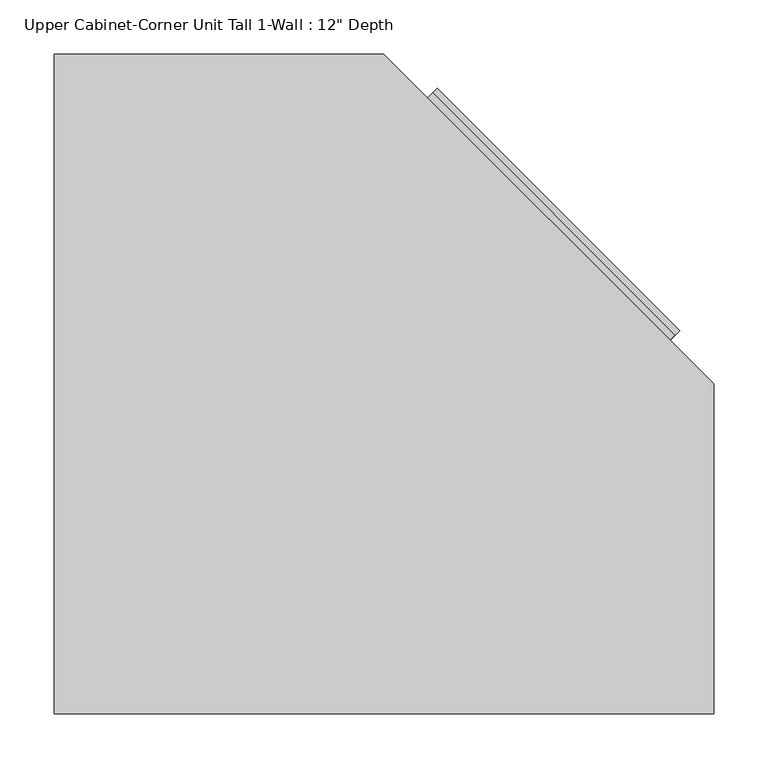
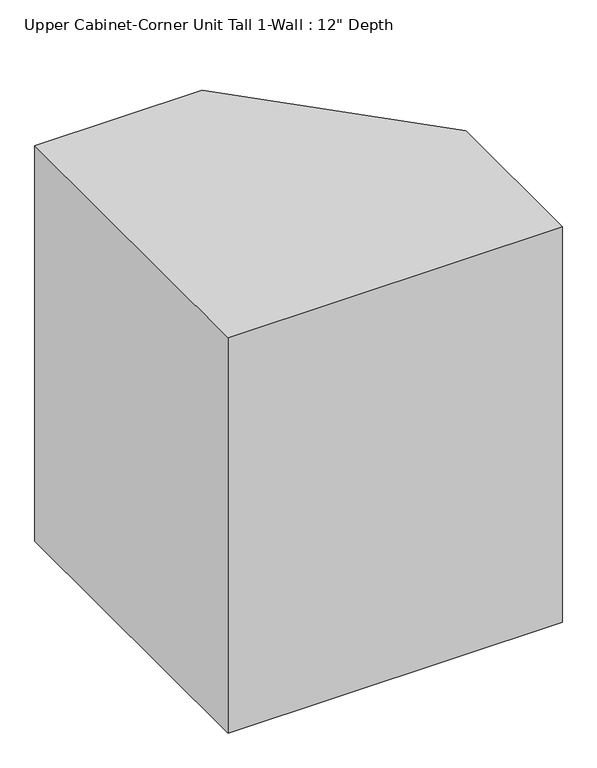
"""IFC4 building model written with IfcOpenShell, lengths in millimetres: furniture geometry."""

from ifc_helpers import new_model, si_unit, frame, origin, place, context, project, spatial, polyline, outline, extrude, faceted_brep, source, transform, mapped, element, save


def furniture_2c521ff6(model_context):
    return source(origin(), model_context, "Body", "SolidModel", [
        extrude(outline(polyline([(303.2724434, 643.5289755), (527.2501383, 419.5512806), (509.2896261, 401.5907684), (285.3119312, 625.5684633), (303.2724434, 643.5289755)])), frame((0.0, 0.0, 1403.35), z_axis=(0.0, 0.0, 1.0), x_axis=(1.0, 0.0, 0.0)), (0.0, 0.0, 1.0), 673.1),
        extrude(outline(polyline([(509.2896261, 401.5907684), (285.3119312, 625.5684633), (307.7625715, 648.0191036), (531.7402664, 424.0414087), (509.2896261, 401.5907684)])), frame((0.0, 0.0, 1380.33125), z_axis=(0.0, 0.0, 1.0), x_axis=(1.0, 0.0, 0.0)), (0.0, 0.0, 1.0), 8.73125),
        extrude(outline(polyline([(509.2896261, 401.5907684), (285.3119312, 625.5684633), (307.7625715, 648.0191036), (531.7402664, 424.0414087), (509.2896261, 401.5907684)])), frame((0.0, 0.0, 1389.0625), z_axis=(0.0, 0.0, 1.0), x_axis=(1.0, 0.0, 0.0)), (0.0, 0.0, 1.0), 8.73125),
        extrude(outline(polyline([(307.7625715, 648.0191036), (531.7402664, 424.0414087), (522.7600102, 415.0611525), (298.7823153, 639.0388475), (307.7625715, 648.0191036)])), frame((0.0, 0.0, 1371.6), z_axis=(0.0, 0.0, 1.0), x_axis=(1.0, 0.0, 0.0)), (0.0, 0.0, 1.0), 8.73125),
        faceted_brep([(-27.3788372, 660.4, 1371.6), (250.4803944, 660.4, 1371.6), (285.3119312, 625.5684633, 1371.6), (509.2896261, 401.5907684, 1371.6), (544.1211628, 366.7592316, 1371.6), (544.1211628, 88.9, 1371.6), (-27.3788372, 88.9, 1371.6), (-27.3788372, 660.4, 1397.79375), (-27.3788372, 88.9, 1397.79375), (544.1211628, 88.9, 1397.79375), (544.1211628, 366.7592316, 1397.79375), (509.2896261, 401.5907684, 1397.79375), (285.3119312, 625.5684633, 1397.79375), (250.4803944, 660.4, 1397.79375)], [[[0, 1, 2, 3, 4, 5, 6]], [[7, 8, 9, 10, 11, 12, 13]], [[1, 0, 7, 13]], [[1, 13, 12, 11, 10, 4, 3, 2]], [[5, 4, 10, 9]], [[6, 5, 9, 8]], [[0, 6, 8, 7]]]),
        faceted_brep([(-46.4288372, 679.45, 1371.6), (258.3711628, 679.45, 1371.6), (298.7823153, 639.0388475, 1371.6), (285.3119312, 625.5684633, 1371.6), (250.4803944, 660.4, 1371.6), (-27.3788372, 660.4, 1371.6), (-27.3788372, 88.9, 1371.6), (544.1211628, 88.9, 1371.6), (544.1211628, 366.7592316, 1371.6), (509.2896261, 401.5907684, 1371.6), (522.7600102, 415.0611525, 1371.6), (563.1711628, 374.65, 1371.6), (563.1711628, 69.85, 1371.6), (-46.4288372, 69.85, 1371.6), (-46.4288372, 679.45, 2133.6), (-46.4288372, 69.85, 2133.6), (563.1711628, 69.85, 2133.6), (563.1711628, 374.65, 2133.6), (258.3711628, 679.45, 2133.6), (250.4803944, 660.4, 2108.2), (-27.3788372, 660.4, 2108.2), (-27.3788372, 88.9, 2108.2), (544.1211628, 88.9, 2108.2), (544.1211628, 366.7592316, 2108.2), (522.7600102, 415.0611525, 1397.79375), (298.7823153, 639.0388475, 1397.79375), (522.7600102, 415.0611525, 2076.45), (298.7823153, 639.0388475, 2076.45), (298.7823153, 639.0388475, 1403.35), (522.7600102, 415.0611525, 1403.35), (285.3119312, 625.5684633, 1397.79375), (509.2896261, 401.5907684, 1397.79375), (285.3119312, 625.5684633, 2076.45), (509.2896261, 401.5907684, 2076.45), (509.2896261, 401.5907684, 1403.35), (285.3119312, 625.5684633, 1403.35)], [[[0, 1, 2, 3, 4, 5, 6, 7, 8, 9, 10, 11, 12, 13]], [[14, 15, 16, 17, 18]], [[1, 0, 14, 18]], [[5, 4, 19, 20]], [[6, 5, 20, 21]], [[7, 6, 21, 22]], [[8, 7, 22, 23]], [[12, 11, 17, 16]], [[13, 12, 16, 15]], [[0, 13, 15, 14]], [[18, 17, 11, 10, 24, 25, 2, 1], [26, 27, 28, 29]], [[19, 4, 3, 30, 31, 9, 8, 23], [32, 33, 34, 35]], [[20, 19, 23, 22, 21]], [[26, 33, 32, 27]], [[28, 35, 34, 29]], [[27, 32, 35, 28]], [[33, 26, 29, 34]], [[24, 31, 30, 25]], [[25, 30, 3, 2]], [[31, 24, 10, 9]]]),
    ])


if __name__ == "__main__":
    model = new_model("IFC4")
    model_context = context("Model", 3, world=origin())
    ifc_project = project(units=[si_unit("LENGTHUNIT", "METRE", prefix="MILLI")], contexts=[model_context])
    site = spatial("IfcSite", under=ifc_project)
    building = spatial("IfcBuilding", under=site)
    placement = place(None, origin())
    furniture_shape = furniture_2c521ff6(model_context)
    element("IfcFurniture", 1, ObjectType="Upper Cabinet-Corner Unit Tall 1-Wall : 12\" Depth", at=placement, inside=building, context=model_context, shape_type="MappedRepresentation", body=[
        mapped(furniture_shape, transform((0.0, 0.0, 0.0), x_axis=(1.0, 0.0, 0.0), y_axis=(0.0, 1.0, 0.0), z_axis=(0.0, 0.0, 1.0))),
    ])
    save(model, "model.ifc")
